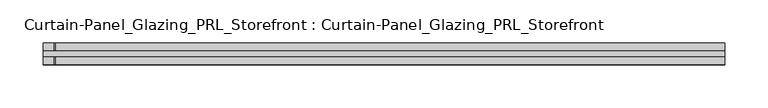
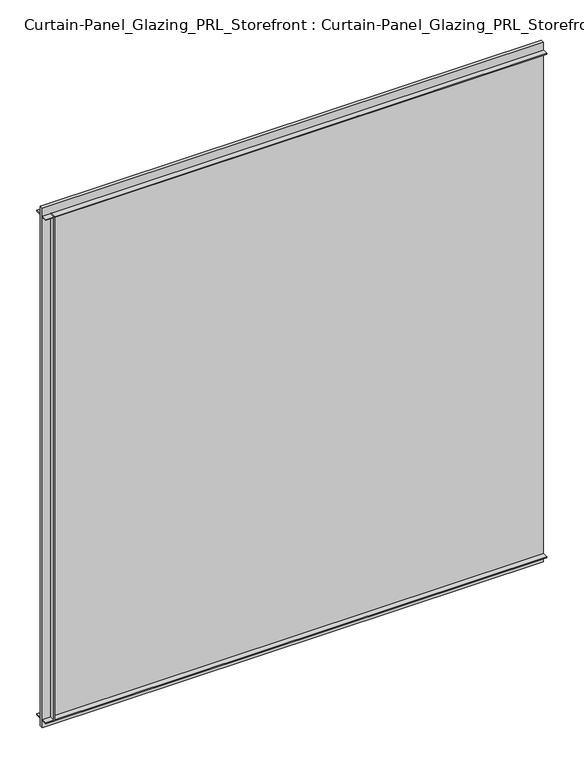
"""IFC4 building model written with IfcOpenShell, lengths in millimetres: plate geometry, Curtain-Panel_Glazing_PRL_Storefront : Curtain-Panel_Glazing_PRL_Storefront."""

import ifcopenshell
import ifcopenshell.guid

model = None  # the IFC model being written
_history = None  # IfcOwnerHistory: only IFC2X3 demands one
_inside = {}  # id of a spatial element -> (the spatial element, [elements in it])
_under = {}  # id of a project, library or spatial element -> (it, [spatial elements below it])
_declared = {}  # id of a project -> (the project, [libraries it declares])
_typed = {}  # id of a type object -> (the type object, [elements of that type])
_made_of = {}  # id of a material, layer set ... -> (it, [elements and type objects made of it])


def new_model(schema):
    """Start an empty IFC model of exactly this schema.

    Asked for "IFC4X3", IfcOpenShell would pick the latest addendum, in which some entities
    have other attributes; the version numbers below select the first issue.
    IFC2X3 requires an IfcOwnerHistory on every rooted entity: one is made here for all.
    """
    global model, _history
    if schema == "IFC4X3":
        model = ifcopenshell.file(schema_version=(4, 3, 0, 0))
    else:
        model = ifcopenshell.file(schema=schema)
    _inside.clear()
    _under.clear()
    _declared.clear()
    _typed.clear()
    _made_of.clear()
    _history = None
    if model.schema == "IFC2X3":
        org = make("IfcOrganization", Name="unknown")
        user = make(
            "IfcPersonAndOrganization",
            ThePerson=make("IfcPerson", FamilyName="unknown"),
            TheOrganization=org,
        )
        app = make(
            "IfcApplication",
            ApplicationDeveloper=org,
            Version="unknown",
            ApplicationFullName="unknown",
            ApplicationIdentifier="unknown",
        )
        _history = make(
            "IfcOwnerHistory",
            OwningUser=user,
            OwningApplication=app,
            ChangeAction="ADDED",
            CreationDate=0,
        )
    return model


def make(cls, **values):
    """One entity of the class cls with the attributes given. An attribute that is None is left unset."""
    return model.create_entity(
        cls, **{name: value for name, value in values.items() if value is not None}
    )


def rooted(cls, **values):
    """An entity with a GlobalId (a new one), such as an element, a storey or a relation."""
    return make(cls, GlobalId=ifcopenshell.guid.new(), OwnerHistory=_history, **values)


def si_unit(unit_type, name, prefix=None):
    """IfcSIUnit, for example si_unit("LENGTHUNIT", "METRE", prefix="MILLI")."""
    return make("IfcSIUnit", UnitType=unit_type, Prefix=prefix, Name=name)


def assignment(units):
    """IfcUnitAssignment: the units of a project."""
    return None if units is None else make("IfcUnitAssignment", Units=units)


def point(xyz):
    """IfcCartesianPoint."""
    return None if xyz is None else make("IfcCartesianPoint", Coordinates=xyz)


def direction(xyz):
    """IfcDirection."""
    return None if xyz is None else make("IfcDirection", DirectionRatios=xyz)


def frame(location, z_axis=None, x_axis=None):
    """IfcAxis2Placement3D, a coordinate frame: its origin and axes. An axis left out is left unset."""
    return make(
        "IfcAxis2Placement3D",
        Location=point(location),
        Axis=direction(z_axis),
        RefDirection=direction(x_axis),
    )


def origin():
    """The frame at (0, 0, 0) with its axes left unset."""
    return frame((0.0, 0.0, 0.0))


def origin_with_axes():
    """The frame at (0, 0, 0) with the z axis (0, 0, 1) and the x axis (1, 0, 0) written out."""
    return frame((0.0, 0.0, 0.0), z_axis=(0.0, 0.0, 1.0), x_axis=(1.0, 0.0, 0.0))


def place(relative_to, where):
    """IfcLocalPlacement: puts the frame where relative to a parent placement (None: the world)."""
    return make(
        "IfcLocalPlacement", PlacementRelTo=relative_to, RelativePlacement=where
    )


def context(
    kind, dimensions, precision=None, world=None, true_north=None, identifier=None
):
    """IfcGeometricRepresentationContext, for example the 3D "Model" context."""
    return make(
        "IfcGeometricRepresentationContext",
        ContextIdentifier=identifier,
        ContextType=kind,
        CoordinateSpaceDimension=dimensions,
        Precision=precision,
        WorldCoordinateSystem=world,
        TrueNorth=true_north,
    )


def project(units=None, contexts=None):
    """IfcProject with its units and contexts."""
    return rooted(
        "IfcProject",
        Name="project",
        RepresentationContexts=contexts,
        UnitsInContext=assignment(units),
    )


def spatial(cls, under=None, at=None, **own):
    """A site, building, storey or space (cls), placed at a placement, below another one or the project."""
    s = rooted(cls, ObjectPlacement=at, **own)
    if under is not None:
        _under.setdefault(under.id(), (under, []))[1].append(s)
    return s


def polyline(points):
    """IfcPolyline through the points."""
    return make("IfcPolyline", Points=[point(p) for p in points])


def outline(outer, holes=None, kind="AREA"):
    """IfcArbitraryClosedProfileDef: a profile drawn as a closed curve; with holes, ...WithVoids."""
    if holes is None:
        return make("IfcArbitraryClosedProfileDef", ProfileType=kind, OuterCurve=outer)
    return make(
        "IfcArbitraryProfileDefWithVoids",
        ProfileType=kind,
        OuterCurve=outer,
        InnerCurves=holes,
    )


def extrude(swept, where, along, depth):
    """IfcExtrudedAreaSolid: the profile swept, set in the frame where, extruded along a direction by depth."""
    return make(
        "IfcExtrudedAreaSolid",
        SweptArea=swept,
        Position=where,
        ExtrudedDirection=direction(along),
        Depth=depth,
    )


def shape(context_of_items, identifier, shape_type, items):
    """IfcShapeRepresentation: the items that make up one representation, for example the "Body"."""
    return make(
        "IfcShapeRepresentation",
        ContextOfItems=context_of_items,
        RepresentationIdentifier=identifier,
        RepresentationType=shape_type,
        Items=items,
    )


def source(mapping_origin, context_of_items, identifier, shape_type, items):
    """IfcRepresentationMap: a shape defined once, which mapped items show again and again."""
    return make(
        "IfcRepresentationMap",
        MappingOrigin=mapping_origin,
        MappedRepresentation=shape(context_of_items, identifier, shape_type, items),
    )


def transform(
    local_origin,
    x_axis=None,
    y_axis=None,
    z_axis=None,
    scale=None,
    scale2=None,
    scale3=None,
    uniform=True,
):
    """IfcCartesianTransformationOperator3D, or its non-uniform kind. x_axis, y_axis, z_axis: its Axis1, 2, 3."""
    if uniform:
        return make(
            "IfcCartesianTransformationOperator3D",
            Axis1=direction(x_axis),
            Axis2=direction(y_axis),
            LocalOrigin=point(local_origin),
            Scale=scale,
            Axis3=direction(z_axis),
        )
    return make(
        "IfcCartesianTransformationOperator3DnonUniform",
        Axis1=direction(x_axis),
        Axis2=direction(y_axis),
        LocalOrigin=point(local_origin),
        Scale=scale,
        Axis3=direction(z_axis),
        Scale2=scale2,
        Scale3=scale3,
    )


def mapped(mapping_source, mapping_target):
    """IfcMappedItem: shows the shape of a source again, moved by a transform."""
    return make(
        "IfcMappedItem", MappingSource=mapping_source, MappingTarget=mapping_target
    )


def made_of(thing, what):
    """Note that an element or type object is made of a material, layer set ...; save() writes the relation."""
    if what is not None:
        _made_of.setdefault(what.id(), (what, []))[1].append(thing)
    return thing


def element(
    cls,
    number,
    at=None,
    inside=None,
    cuts=None,
    type_object=None,
    material=None,
    context=None,
    identifier="Body",
    shape_type=None,
    held_by="IfcProductDefinitionShape",
    body=None,
    shapes=None,
    **own,
):
    """One element of the class cls, such as IfcWall. Its Tag is "e" and its number.

    at: its placement. inside: the storey or other place that contains it. cuts: it is an
    opening in that element (IfcRelVoidsElement). A single representation is given by context,
    identifier, shape_type and body (its items); several are given by shapes. held_by: the class
    of the entity that holds the representations. save() writes the other relations.
    """
    e = rooted(cls, Tag="e%d" % number, ObjectPlacement=at, **own)
    if body is not None:
        shapes = [shape(context, identifier, shape_type, body)]
    if shapes is not None:
        e.Representation = make(held_by, Representations=shapes)
    if inside is not None:
        _inside.setdefault(inside.id(), (inside, []))[1].append(e)
    if cuts is not None:
        rooted(
            "IfcRelVoidsElement", RelatingBuildingElement=cuts, RelatedOpeningElement=e
        )
    if type_object is not None:
        _typed.setdefault(type_object.id(), (type_object, []))[1].append(e)
    return made_of(e, material)


def aggregate(whole, parts):
    """IfcRelAggregates: a whole, such as a stair, and the parts it consists of."""
    return rooted("IfcRelAggregates", RelatingObject=whole, RelatedObjects=parts)


def save(model, path):
    """Write the relations noted so far, then the file.

    IfcRelAggregates (storeys below a building ...), IfcRelContainedInSpatialStructure (elements
    in a storey), IfcRelDefinesByType, IfcRelAssociatesMaterial and IfcRelDeclares: one each for
    every whole, place, type object, material and project.
    """
    for whole, parts in _under.values():
        aggregate(whole, parts)
    for where, things in _inside.values():
        rooted(
            "IfcRelContainedInSpatialStructure",
            RelatedElements=things,
            RelatingStructure=where,
        )
    for kind, things in _typed.values():
        rooted("IfcRelDefinesByType", RelatedObjects=things, RelatingType=kind)
    for what, things in _made_of.values():
        rooted("IfcRelAssociatesMaterial", RelatedObjects=things, RelatingMaterial=what)
    for by, libraries in _declared.values():
        rooted("IfcRelDeclares", RelatingContext=by, RelatedDefinitions=libraries)
    model.write(path)


def curtain_panel_glazing_prl_storefront_curtain_panel_glazing_abedf9c9(model_context):
    return source(origin(), model_context, "Body", "SweptSolid", [
        extrude(outline(polyline([(-384.7041667, -12.7), (-384.7041667, -3.175), (-383.1166667, -3.175), (-383.1166667, -12.7), (-384.7041667, -12.7)])), frame((0.0, 0.0, 12.7), z_axis=(0.0, 0.0, 1.0), x_axis=(1.0, 0.0, 0.0)), (0.0, 0.0, 1.0), 841.375),
        extrude(outline(polyline([(-384.7041667, 12.7), (-383.1166667, 12.7), (-383.1166667, 3.175), (-384.7041667, 3.175), (-384.7041667, 12.7)])), frame((0.0, 0.0, 12.7), z_axis=(0.0, 0.0, 1.0), x_axis=(1.0, 0.0, 0.0)), (0.0, 0.0, 1.0), 841.375),
        extrude(outline(polyline([(394.2291667, 3.175), (394.2291667, -3.175), (-397.4041667, -3.175), (-397.4041667, 3.175), (394.2291667, 3.175)])), origin_with_axes(), (0.0, 0.0, 1.0), 866.775),
        extrude(outline(polyline([(-397.4041667, -12.7), (-397.4041667, -3.175), (394.2291667, -3.175), (394.2291667, -12.7), (-397.4041667, -12.7)])), frame((0.0, 0.0, 852.4875), z_axis=(0.0, 0.0, 1.0), x_axis=(1.0, 0.0, 0.0)), (0.0, 0.0, 1.0), 1.5875),
        extrude(outline(polyline([(-397.4041667, 12.7), (394.2291667, 12.7), (394.2291667, 3.175), (-397.4041667, 3.175), (-397.4041667, 12.7)])), frame((0.0, 0.0, 852.4875), z_axis=(0.0, 0.0, 1.0), x_axis=(1.0, 0.0, 0.0)), (0.0, 0.0, 1.0), 1.5875),
        extrude(outline(polyline([(-397.4041667, -12.7), (-397.4041667, -3.175), (394.2291667, -3.175), (394.2291667, -12.7), (-397.4041667, -12.7)])), frame((0.0, 0.0, 12.7), z_axis=(0.0, 0.0, 1.0), x_axis=(1.0, 0.0, 0.0)), (0.0, 0.0, 1.0), 1.5875),
        extrude(outline(polyline([(-397.4041667, 12.7), (394.2291667, 12.7), (394.2291667, 3.175), (-397.4041667, 3.175), (-397.4041667, 12.7)])), frame((0.0, 0.0, 12.7), z_axis=(0.0, 0.0, 1.0), x_axis=(1.0, 0.0, 0.0)), (0.0, 0.0, 1.0), 1.5875),
    ])


if __name__ == "__main__":
    model = new_model("IFC4")
    model_context = context("Model", 3, world=origin())
    ifc_project = project(units=[si_unit("LENGTHUNIT", "METRE", prefix="MILLI")], contexts=[model_context])
    site = spatial("IfcSite", under=ifc_project)
    building = spatial("IfcBuilding", under=site)
    placement = place(None, origin())
    curtain_panel_glazing_prl_storefront_curtain_panel_glazing_shape = curtain_panel_glazing_prl_storefront_curtain_panel_glazing_abedf9c9(model_context)
    element("IfcPlate", 1, ObjectType="Curtain-Panel_Glazing_PRL_Storefront : Curtain-Panel_Glazing_PRL_Storefront", at=placement, inside=building, context=model_context, shape_type="MappedRepresentation", body=[
        mapped(curtain_panel_glazing_prl_storefront_curtain_panel_glazing_shape, transform((0.0, 0.0, 0.0), x_axis=(1.0, 0.0, 0.0), y_axis=(0.0, 1.0, 0.0), z_axis=(0.0, 0.0, 1.0))),
    ])
    save(model, "model.ifc")
